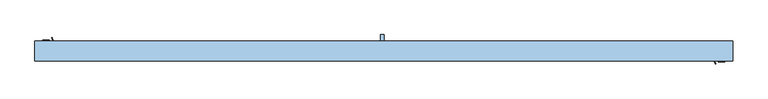
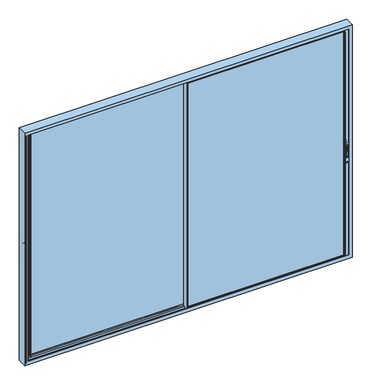
"""IFC4 building model written with IfcOpenShell, lengths in millimetres: window geometry."""

from ifc_helpers import new_model, si_unit, point, frame, frame_2d, origin, place, context, project, spatial, polyline, circle_curve, trimmed, segment, composite_curve, outline, extrude, faceted_brep, source, transform, mapped, element, save
from ifc_brep_helpers import plane_surface, cylinder_surface, revolved_surface, advanced_brep


def window_a7f661a5(model_context):
    return source(origin(), model_context, "Body", "SolidModel", [
        extrude(outline(composite_curve([segment(polyline([(-39.3, 2125.2189223), (-39.3, 2189.6559659)]), True, "CONTINUOUS"), segment(trimmed(circle_curve(frame_2d((-28.7370436, 2189.6559659)), 10.5629564), [point((-39.3, 2189.6559659))], [point((-28.7370436, 2200.2189223))], False, "CARTESIAN"), True, "CONTINUOUS"), segment(polyline([(-28.7370436, 2200.2189223), (-33.5185218, 2125.2189223), (-39.3, 2125.2189223)]), True, "CONTINUOUS")], self_intersect=False)), frame((-1943.3474775, 0.0, 0.0), z_axis=(1.0, 0.0, 0.0), x_axis=(0.0, 1.0, 0.0)), (0.0, 0.0, 1.0), 14.8235768),
        advanced_brep(
        [(-1917.9398656, -39.3, 2057.5), (-1917.9398656, -27.3, 2040.0), (-1917.9398656, -27.3, 2300.0), (-1917.9398656, -39.3, 2282.5), (-1953.8935563, -39.3, 2057.5), (-1953.8935563, -39.3, 2282.5), (-1953.8935563, -27.3, 2300.0), (-1953.8935563, -27.3, 2040.0), (-1944.7309411, -39.3, 2266.667345), (-1927.1404371, -39.3, 2266.667345), (-1927.1404371, -39.3, 2110.7687336), (-1944.7309411, -39.3, 2110.7687336), (-1927.1404371, -28.7370436, 2266.667345), (-1944.7309411, -28.7370436, 2266.667345), (-1944.7309411, -28.7370436, 2110.7687336), (-1927.1404371, -28.7370436, 2110.7687336)],
        [
            (0, 1, circle_curve(frame((-1917.9398656, -20.5395833, 2057.5), z_axis=(1.0, 0.0, 0.0), x_axis=(0.0, 0.0, -1.0)), 18.7604167)),
            (1, 2),
            (2, 3, circle_curve(frame((-1917.9398656, -20.5395833, 2282.5), z_axis=(1.0, 0.0, 0.0), x_axis=(0.0, 0.0, -1.0)), 18.7604167)),
            (3, 0),
            (4, 5),
            (5, 6, circle_curve(frame((-1953.8935563, -20.5395833, 2282.5), z_axis=(-1.0, 0.0, 0.0), x_axis=(0.0, 0.0, -1.0)), 18.7604167)),
            (6, 7),
            (7, 4, circle_curve(frame((-1953.8935563, -20.5395833, 2057.5), z_axis=(-1.0, 0.0, 0.0), x_axis=(0.0, 0.0, -1.0)), 18.7604167)),
            (1, 7),
            (6, 2),
            (3, 5),
            (4, 0),
            (8, 9),
            (9, 10),
            (10, 11),
            (11, 8),
            (12, 13),
            (13, 14),
            (14, 15),
            (15, 12),
            (12, 9),
            (8, 13),
            (11, 14),
            (10, 15),
        ],
        [
            plane_surface(frame((-1917.9398656, -20.5395833, 2038.7395833), z_axis=(1.0, 0.0, 0.0), x_axis=(0.0, 1.0, 0.0))),
            plane_surface(frame((-1953.8935563, -20.5395833, 2038.7395833), z_axis=(-1.0, 0.0, 0.0), x_axis=(0.0, -1.0, 0.0))),
            plane_surface(frame((-1917.9398656, -27.3, 2040.0), z_axis=(0.0, 1.0, 0.0), x_axis=(-1.0, 0.0, 0.0))),
            plane_surface(frame((-1917.9398656, -39.3, 2282.5), z_axis=(0.0, -1.0, 0.0), x_axis=(-1.0, 0.0, 0.0))),
            plane_surface(frame((-1944.7309411, -28.7370436, 2266.667345), z_axis=(0.0, -1.0, 0.0), x_axis=(1.0, 0.0, 0.0))),
            plane_surface(frame((-1927.1404371, -39.3, 2266.667345), z_axis=(0.0, 0.0, -1.0), x_axis=(0.0, 1.0, 0.0))),
            plane_surface(frame((-1944.7309411, -39.3, 2266.667345), z_axis=(1.0, 0.0, 0.0), x_axis=(0.0, 1.0, 0.0))),
            plane_surface(frame((-1944.7309411, -39.3, 2110.7687336), z_axis=(0.0, 0.0, 1.0), x_axis=(0.0, 1.0, 0.0))),
            plane_surface(frame((-1927.1404371, -39.3, 2110.7687336), z_axis=(-1.0, 0.0, 0.0), x_axis=(0.0, 1.0, 0.0))),
            cylinder_surface(frame((-1953.8935563, -20.5395833, 2057.5), z_axis=(1.0, 0.0, 0.0), x_axis=(0.0, 0.0, -1.0)), 18.7604167),
            cylinder_surface(frame((-1953.8935563, -20.5395833, 2282.5), z_axis=(1.0, 0.0, 0.0), x_axis=(0.0, 0.0, -1.0)), 18.7604167),
        ],
        [
            (0, [[1, 2, 3, 4]]),
            (1, [[5, 6, 7, 8]]),
            (2, [[-2, 9, -7, 10]]),
            (3, [[-4, 11, -5, 12], [13, 14, 15, 16]]),
            (4, [[17, 18, 19, 20]]),
            (5, [[-17, 21, -13, 22]]),
            (6, [[-18, -22, -16, 23]]),
            (7, [[-19, -23, -15, 24]]),
            (8, [[-20, -24, -14, -21]]),
            (9, [[-1, -12, -8, -9]]),
            (10, [[-3, -10, -6, -11]]),
        ],
    ),
        extrude(outline(composite_curve([segment(polyline([(-105.3, 2125.2189223), (-105.3, 2189.6559659)]), True, "CONTINUOUS"), segment(trimmed(circle_curve(frame_2d((-94.7370436, 2189.6559659)), 10.5629564), [point((-105.3, 2189.6559659))], [point((-94.7370436, 2200.2189223))], False, "CARTESIAN"), True, "CONTINUOUS"), segment(polyline([(-94.7370436, 2200.2189223), (-99.5185218, 2125.2189223), (-105.3, 2125.2189223)]), True, "CONTINUOUS")], self_intersect=False)), frame((1928.4921223, 0.0, 0.0), z_axis=(1.0, 0.0, 0.0), x_axis=(0.0, 1.0, 0.0)), (0.0, 0.0, 1.0), 14.8235768),
        advanced_brep(
        [(1953.8997342, -105.3, 2057.5), (1953.8997342, -93.3, 2040.0), (1953.8997342, -93.3, 2300.0), (1953.8997342, -105.3, 2282.5), (1917.9460435, -105.3, 2057.5), (1917.9460435, -105.3, 2282.5), (1917.9460435, -93.3, 2300.0), (1917.9460435, -93.3, 2040.0), (1927.1086587, -105.3, 2266.667345), (1944.6991627, -105.3, 2266.667345), (1944.6991627, -105.3, 2110.7687336), (1927.1086587, -105.3, 2110.7687336), (1944.6991627, -94.7370436, 2266.667345), (1927.1086587, -94.7370436, 2266.667345), (1927.1086587, -94.7370436, 2110.7687336), (1944.6991627, -94.7370436, 2110.7687336)],
        [
            (0, 1, circle_curve(frame((1953.8997342, -86.5395833, 2057.5), z_axis=(1.0, 0.0, 0.0), x_axis=(0.0, 0.0, -1.0)), 18.7604167)),
            (1, 2),
            (2, 3, circle_curve(frame((1953.8997342, -86.5395833, 2282.5), z_axis=(1.0, 0.0, 0.0), x_axis=(0.0, 0.0, -1.0)), 18.7604167)),
            (3, 0),
            (4, 5),
            (5, 6, circle_curve(frame((1917.9460435, -86.5395833, 2282.5), z_axis=(-1.0, 0.0, 0.0), x_axis=(0.0, 0.0, -1.0)), 18.7604167)),
            (6, 7),
            (7, 4, circle_curve(frame((1917.9460435, -86.5395833, 2057.5), z_axis=(-1.0, 0.0, 0.0), x_axis=(0.0, 0.0, -1.0)), 18.7604167)),
            (1, 7),
            (6, 2),
            (3, 5),
            (4, 0),
            (8, 9),
            (9, 10),
            (10, 11),
            (11, 8),
            (12, 13),
            (13, 14),
            (14, 15),
            (15, 12),
            (12, 9),
            (8, 13),
            (11, 14),
            (10, 15),
        ],
        [
            plane_surface(frame((1953.8997342, -86.5395833, 2038.7395833), z_axis=(1.0, 0.0, 0.0), x_axis=(0.0, 1.0, 0.0))),
            plane_surface(frame((1917.9460435, -86.5395833, 2038.7395833), z_axis=(-1.0, 0.0, 0.0), x_axis=(0.0, -1.0, 0.0))),
            plane_surface(frame((1953.8997342, -93.3, 2040.0), z_axis=(0.0, 1.0, 0.0), x_axis=(-1.0, 0.0, 0.0))),
            plane_surface(frame((1953.8997342, -105.3, 2282.5), z_axis=(0.0, -1.0, 0.0), x_axis=(-1.0, 0.0, 0.0))),
            plane_surface(frame((1927.1086587, -94.7370436, 2266.667345), z_axis=(0.0, -1.0, 0.0), x_axis=(1.0, 0.0, 0.0))),
            plane_surface(frame((1944.6991627, -105.3, 2266.667345), z_axis=(0.0, 0.0, -1.0), x_axis=(0.0, 1.0, 0.0))),
            plane_surface(frame((1927.1086587, -105.3, 2266.667345), z_axis=(1.0, 0.0, 0.0), x_axis=(0.0, 1.0, 0.0))),
            plane_surface(frame((1927.1086587, -105.3, 2110.7687336), z_axis=(0.0, 0.0, 1.0), x_axis=(0.0, 1.0, 0.0))),
            plane_surface(frame((1944.6991627, -105.3, 2110.7687336), z_axis=(-1.0, 0.0, 0.0), x_axis=(0.0, 1.0, 0.0))),
            cylinder_surface(frame((1917.9460435, -86.5395833, 2057.5), z_axis=(1.0, 0.0, 0.0), x_axis=(0.0, 0.0, -1.0)), 18.7604167),
            cylinder_surface(frame((1917.9460435, -86.5395833, 2282.5), z_axis=(1.0, 0.0, 0.0), x_axis=(0.0, 0.0, -1.0)), 18.7604167),
        ],
        [
            (0, [[1, 2, 3, 4]]),
            (1, [[5, 6, 7, 8]]),
            (2, [[-2, 9, -7, 10]]),
            (3, [[-4, 11, -5, 12], [13, 14, 15, 16]]),
            (4, [[17, 18, 19, 20]]),
            (5, [[-17, 21, -13, 22]]),
            (6, [[-18, -22, -16, 23]]),
            (7, [[-19, -23, -15, 24]]),
            (8, [[-20, -24, -14, -21]]),
            (9, [[-1, -12, -8, -9]]),
            (10, [[-3, -10, -6, -11]]),
        ],
    ),
        extrude(outline(composite_curve([segment(polyline([(-44.9, 2125.2189223), (-50.6814782, 2125.2189223), (-55.4629564, 2200.2189223)]), True, "CONTINUOUS"), segment(trimmed(circle_curve(frame_2d((-55.4629564, 2189.6559659)), 10.5629564), [point((-55.4629564, 2200.2189223))], [point((-44.9, 2189.6559659))], False, "CARTESIAN"), True, "CONTINUOUS"), segment(polyline([(-44.9, 2189.6559659), (-44.9, 2125.2189223)]), True, "CONTINUOUS")], self_intersect=False)), frame((1928.5239007, 0.0, 0.0), z_axis=(1.0, 0.0, 0.0), x_axis=(0.0, 1.0, 0.0)), (0.0, 0.0, 1.0), 14.8235768),
        advanced_brep(
        [(1917.9398656, -44.9, 2057.5), (1917.9398656, -56.9, 2040.0), (1917.9398656, -56.9, 2300.0), (1917.9398656, -44.9, 2282.5), (1953.8935563, -44.9, 2057.5), (1953.8935563, -44.9, 2282.5), (1953.8935563, -56.9, 2300.0), (1953.8935563, -56.9, 2040.0), (1944.7309411, -44.9, 2266.667345), (1927.1404371, -44.9, 2266.667345), (1927.1404371, -44.9, 2110.7687336), (1944.7309411, -44.9, 2110.7687336), (1927.1404371, -55.4629564, 2266.667345), (1944.7309411, -55.4629564, 2266.667345), (1944.7309411, -55.4629564, 2110.7687336), (1927.1404371, -55.4629564, 2110.7687336)],
        [
            (0, 1, circle_curve(frame((1917.9398656, -63.6604167, 2057.5), z_axis=(-1.0, 0.0, 0.0), x_axis=(0.0, 0.0, -1.0)), 18.7604167)),
            (1, 2),
            (2, 3, circle_curve(frame((1917.9398656, -63.6604167, 2282.5), z_axis=(-1.0, 0.0, 0.0), x_axis=(0.0, 0.0, -1.0)), 18.7604167)),
            (3, 0),
            (4, 5),
            (5, 6, circle_curve(frame((1953.8935563, -63.6604167, 2282.5), z_axis=(1.0, 0.0, 0.0), x_axis=(0.0, 0.0, -1.0)), 18.7604167)),
            (6, 7),
            (7, 4, circle_curve(frame((1953.8935563, -63.6604167, 2057.5), z_axis=(1.0, 0.0, 0.0), x_axis=(0.0, 0.0, -1.0)), 18.7604167)),
            (1, 7),
            (6, 2),
            (3, 5),
            (4, 0),
            (8, 9),
            (9, 10),
            (10, 11),
            (11, 8),
            (12, 13),
            (13, 14),
            (14, 15),
            (15, 12),
            (12, 9),
            (8, 13),
            (11, 14),
            (10, 15),
        ],
        [
            plane_surface(frame((1917.9398656, -63.6604167, 2038.7395833), z_axis=(-1.0, 0.0, 0.0), x_axis=(0.0, -1.0, 0.0))),
            plane_surface(frame((1953.8935563, -63.6604167, 2038.7395833), z_axis=(1.0, 0.0, 0.0), x_axis=(0.0, 1.0, 0.0))),
            plane_surface(frame((1917.9398656, -56.9, 2040.0), z_axis=(0.0, -1.0, 0.0), x_axis=(1.0, 0.0, 0.0))),
            plane_surface(frame((1917.9398656, -44.9, 2282.5), z_axis=(0.0, 1.0, 0.0), x_axis=(1.0, 0.0, 0.0))),
            plane_surface(frame((1944.7309411, -55.4629564, 2266.667345), z_axis=(0.0, 1.0, 0.0), x_axis=(-1.0, 0.0, 0.0))),
            plane_surface(frame((1927.1404371, -44.9, 2266.667345), z_axis=(0.0, 0.0, -1.0), x_axis=(0.0, -1.0, 0.0))),
            plane_surface(frame((1944.7309411, -44.9, 2266.667345), z_axis=(-1.0, 0.0, 0.0), x_axis=(0.0, -1.0, 0.0))),
            plane_surface(frame((1944.7309411, -44.9, 2110.7687336), z_axis=(0.0, 0.0, 1.0), x_axis=(0.0, -1.0, 0.0))),
            plane_surface(frame((1927.1404371, -44.9, 2110.7687336), z_axis=(1.0, 0.0, 0.0), x_axis=(0.0, -1.0, 0.0))),
            cylinder_surface(frame((1953.8935563, -63.6604167, 2057.5), z_axis=(-1.0, 0.0, 0.0), x_axis=(0.0, 0.0, -1.0)), 18.7604167),
            cylinder_surface(frame((1953.8935563, -63.6604167, 2282.5), z_axis=(-1.0, 0.0, 0.0), x_axis=(0.0, 0.0, -1.0)), 18.7604167),
        ],
        [
            (0, [[1, 2, 3, 4]]),
            (1, [[5, 6, 7, 8]]),
            (2, [[-2, 9, -7, 10]]),
            (3, [[-4, 11, -5, 12], [13, 14, 15, 16]]),
            (4, [[17, 18, 19, 20]]),
            (5, [[-17, 21, -13, 22]]),
            (6, [[-18, -22, -16, 23]]),
            (7, [[-19, -23, -15, 24]]),
            (8, [[-20, -24, -14, -21]]),
            (9, [[-1, -12, -8, -9]]),
            (10, [[-3, -10, -6, -11]]),
        ],
    ),
        extrude(outline(composite_curve([segment(polyline([(21.1, 2125.2189223), (15.3185218, 2125.2189223), (10.5370436, 2200.2189223)]), True, "CONTINUOUS"), segment(trimmed(circle_curve(frame_2d((10.5370436, 2189.6559659)), 10.5629564), [point((10.5370436, 2200.2189223))], [point((21.1, 2189.6559659))], False, "CARTESIAN"), True, "CONTINUOUS"), segment(polyline([(21.1, 2189.6559659), (21.1, 2125.2189223)]), True, "CONTINUOUS")], self_intersect=False)), frame((-1943.257034, 0.0, 0.0), z_axis=(1.0, 0.0, 0.0), x_axis=(0.0, 1.0, 0.0)), (0.0, 0.0, 1.0), 14.8235768),
        advanced_brep(
        [(-1953.8410691, 21.1, 2057.5), (-1953.8410691, 9.1, 2040.0), (-1953.8410691, 9.1, 2300.0), (-1953.8410691, 21.1, 2282.5), (-1917.8873784, 21.1, 2057.5), (-1917.8873784, 21.1, 2282.5), (-1917.8873784, 9.1, 2300.0), (-1917.8873784, 9.1, 2040.0), (-1927.0499936, 21.1, 2266.667345), (-1944.6404976, 21.1, 2266.667345), (-1944.6404976, 21.1, 2110.7687336), (-1927.0499936, 21.1, 2110.7687336), (-1944.6404976, 10.5370436, 2266.667345), (-1927.0499936, 10.5370436, 2266.667345), (-1927.0499936, 10.5370436, 2110.7687336), (-1944.6404976, 10.5370436, 2110.7687336)],
        [
            (0, 1, circle_curve(frame((-1953.8410691, 2.3395833, 2057.5), z_axis=(-1.0, 0.0, 0.0), x_axis=(0.0, 0.0, -1.0)), 18.7604167)),
            (1, 2),
            (2, 3, circle_curve(frame((-1953.8410691, 2.3395833, 2282.5), z_axis=(-1.0, 0.0, 0.0), x_axis=(0.0, 0.0, -1.0)), 18.7604167)),
            (3, 0),
            (4, 5),
            (5, 6, circle_curve(frame((-1917.8873784, 2.3395833, 2282.5), z_axis=(1.0, 0.0, 0.0), x_axis=(0.0, 0.0, -1.0)), 18.7604167)),
            (6, 7),
            (7, 4, circle_curve(frame((-1917.8873784, 2.3395833, 2057.5), z_axis=(1.0, 0.0, 0.0), x_axis=(0.0, 0.0, -1.0)), 18.7604167)),
            (1, 7),
            (6, 2),
            (3, 5),
            (4, 0),
            (8, 9),
            (9, 10),
            (10, 11),
            (11, 8),
            (12, 13),
            (13, 14),
            (14, 15),
            (15, 12),
            (12, 9),
            (8, 13),
            (11, 14),
            (10, 15),
        ],
        [
            plane_surface(frame((-1953.8410691, 2.3395833, 2038.7395833), z_axis=(-1.0, 0.0, 0.0), x_axis=(0.0, -1.0, 0.0))),
            plane_surface(frame((-1917.8873784, 2.3395833, 2038.7395833), z_axis=(1.0, 0.0, 0.0), x_axis=(0.0, 1.0, 0.0))),
            plane_surface(frame((-1953.8410691, 9.1, 2040.0), z_axis=(0.0, -1.0, 0.0), x_axis=(1.0, 0.0, 0.0))),
            plane_surface(frame((-1953.8410691, 21.1, 2282.5), z_axis=(0.0, 1.0, 0.0), x_axis=(1.0, 0.0, 0.0))),
            plane_surface(frame((-1927.0499936, 10.5370436, 2266.667345), z_axis=(0.0, 1.0, 0.0), x_axis=(-1.0, 0.0, 0.0))),
            plane_surface(frame((-1944.6404976, 21.1, 2266.667345), z_axis=(0.0, 0.0, -1.0), x_axis=(0.0, -1.0, 0.0))),
            plane_surface(frame((-1927.0499936, 21.1, 2266.667345), z_axis=(-1.0, 0.0, 0.0), x_axis=(0.0, -1.0, 0.0))),
            plane_surface(frame((-1927.0499936, 21.1, 2110.7687336), z_axis=(0.0, 0.0, 1.0), x_axis=(0.0, -1.0, 0.0))),
            plane_surface(frame((-1944.6404976, 21.1, 2110.7687336), z_axis=(1.0, 0.0, 0.0), x_axis=(0.0, -1.0, 0.0))),
            cylinder_surface(frame((-1917.8873784, 2.3395833, 2057.5), z_axis=(-1.0, 0.0, 0.0), x_axis=(0.0, 0.0, -1.0)), 18.7604167),
            cylinder_surface(frame((-1917.8873784, 2.3395833, 2282.5), z_axis=(-1.0, 0.0, 0.0), x_axis=(0.0, 0.0, -1.0)), 18.7604167),
        ],
        [
            (0, [[1, 2, 3, 4]]),
            (1, [[5, 6, 7, 8]]),
            (2, [[-2, 9, -7, 10]]),
            (3, [[-4, 11, -5, 12], [13, 14, 15, 16]]),
            (4, [[17, 18, 19, 20]]),
            (5, [[-17, 21, -13, 22]]),
            (6, [[-18, -22, -16, 23]]),
            (7, [[-19, -23, -15, 24]]),
            (8, [[-20, -24, -14, -21]]),
            (9, [[-1, -12, -8, -9]]),
            (10, [[-3, -10, -6, -11]]),
        ],
    ),
        extrude(outline(polyline([(1957.6, 9.7), (1957.6, -27.9), (1980.5, -27.9), (1980.5, -30.0), (1956.0, -30.0), (1956.0, 11.8), (1980.5, 11.8), (1980.5, 9.7), (1957.6, 9.7)])), frame((0.0, 0.0, 819.191143), z_axis=(0.0, 0.0, 1.0), x_axis=(1.0, 0.0, 0.0)), (0.0, 0.0, 1.0), 2961.617714),
        extrude(outline(polyline([(-1980.4855296, -54.2), (-1956.0, -54.2), (-1956.0, -96.0), (-1980.5600677, -96.0), (-1980.5600677, -93.9), (-1957.6, -93.9), (-1957.6, -56.3), (-1980.4855296, -56.3), (-1980.4855296, -54.2)])), frame((0.0, 0.0, 819.191143), z_axis=(0.0, 0.0, 1.0), x_axis=(1.0, 0.0, 0.0)), (0.0, 0.0, 1.0), 2936.808857),
        extrude(outline(polyline([(-12.0, -90.1), (-12.0, -60.1), (1908.9270356, -60.1), (1908.9270356, -90.1), (-12.0, -90.1)])), frame((0.0, 0.0, 844.0), z_axis=(0.0, 0.0, 1.0), x_axis=(1.0, 0.0, 0.0)), (0.0, 0.0, 1.0), 2908.9999325),
        extrude(outline(polyline([(-1908.9270356, -24.1), (-1908.9270356, 5.9), (-12.5, 5.9), (-12.5, -24.1), (-1908.9270356, -24.1)])), frame((0.0, 0.0, 847.0000675), z_axis=(0.0, 0.0, 1.0), x_axis=(1.0, 0.0, 0.0)), (0.0, 0.0, 1.0), 2905.9998651),
        advanced_brep(
        [(-20.0, -56.9, 832.5), (-20.0, -93.3, 832.5), (-20.0, -93.3, 3764.8884213), (-20.0, -56.9, 3764.8884213), (-20.0, -56.9, 3756.0), (-20.0, -30.3, 3756.0), (-20.0, -30.3, 847.0000675), (-20.0, -56.9, 847.0000675), (1968.3, -56.9, 832.5), (1968.3, -93.3, 832.5), (1968.3, -93.3, 3764.8884213), (1897.0, -93.3, 859.0), (1897.0, -93.3, 3741.0), (1902.3815605, -93.3, 3741.0), (1902.3815605, -93.3, 859.0), (1895.0, -93.3, 859.0), (0.0, -93.3, 859.0), (0.0, -93.3, 3741.0), (1895.0, -93.3, 3741.0), (-10.7, -30.3, 3756.0), (-10.7, -30.3, 847.0000675), (-10.7, -56.9, 847.0000675), (-10.7, -56.9, 3756.0), (1968.3, -56.9, 3764.8884213), (1902.3815605, -56.9, 859.0), (1902.3815605, -56.9, 3741.0), (1897.0, -56.9, 3741.0), (1897.0, -56.9, 859.0), (1895.0, -56.9, 3741.0), (0.0, -56.9, 3741.0), (0.0, -56.9, 859.0), (1895.0, -56.9, 859.0), (1968.3, -60.1, 859.0), (1968.3, -60.1, 847.0000675), (1968.3, -90.1, 847.0000675), (1968.3, -90.1, 859.0), (1968.3, -90.1, 3741.0), (1968.3, -90.1, 3752.9999325), (1968.3, -60.1, 3752.9999325), (1968.3, -60.1, 3741.0), (1908.9270356, -60.1, 859.0), (1908.9270356, -60.1, 3741.0), (-12.0, -60.1, 3752.9999325), (-12.0, -60.1, 847.0000675), (1895.0, -60.1, 859.0), (0.0, -60.1, 859.0), (0.0, -60.1, 3741.0), (1895.0, -60.1, 3741.0), (-12.0, -90.1, 847.0000675), (-12.0, -90.1, 3752.9999325), (1908.9270356, -90.1, 3741.0), (1908.9270356, -90.1, 859.0), (1895.0, -90.1, 3741.0), (0.0, -90.1, 3741.0), (0.0, -90.1, 859.0), (1895.0, -90.1, 859.0), (1899.4977754, -95.4730879, 859.0), (1898.126431, -100.2555341, 859.0), (1898.239631, -102.2330365, 859.0), (1903.9747822, -117.6432139, 859.0), (1903.5, -118.3, 859.0), (1900.7399611, -118.3, 859.0), (1899.7836563, -117.5923717, 859.0), (1895.1162149, -102.3258588, 859.0), (1895.1162149, -99.8695393, 859.0), (1895.1162149, -50.3304607, 859.0), (1895.1162149, -47.8741412, 859.0), (1899.7836563, -32.6076283, 859.0), (1900.7399611, -31.9, 859.0), (1903.5, -31.9, 859.0), (1903.9747822, -32.5567861, 859.0), (1898.239631, -47.9669635, 859.0), (1898.126431, -49.9444659, 859.0), (1899.4977754, -54.7269121, 859.0), (1895.1162149, -99.8695393, 3741.0), (1899.4977754, -95.4730879, 3741.0), (1899.4977754, -54.7269121, 3741.0), (1895.1162149, -50.3304607, 3741.0), (1898.126431, -100.2555341, 3741.0), (1898.239631, -102.2330365, 3741.0), (1903.9747822, -117.6432139, 3741.0), (1903.5, -118.3, 3741.0), (1900.7399611, -118.3, 3741.0), (1899.7836563, -117.5923717, 3741.0), (1895.1162149, -102.3258588, 3741.0), (1895.1162149, -47.8741412, 3741.0), (1899.7836563, -32.6076283, 3741.0), (1900.7399611, -31.9, 3741.0), (1903.5, -31.9, 3741.0), (1903.9747822, -32.5567861, 3741.0), (1898.239631, -47.9669635, 3741.0), (1898.126431, -49.9444659, 3741.0)],
        [
            (0, 1),
            (1, 2),
            (2, 3),
            (3, 4),
            (4, 5),
            (5, 6),
            (6, 7),
            (7, 0),
            (0, 8),
            (8, 9),
            (9, 1),
            (9, 10),
            (10, 2),
            (11, 12),
            (12, 13),
            (13, 14),
            (14, 11),
            (15, 16),
            (16, 17),
            (17, 18),
            (18, 15),
            (5, 19),
            (19, 20),
            (20, 6),
            (20, 21),
            (21, 7),
            (21, 22),
            (22, 4),
            (3, 23),
            (23, 8),
            (24, 25),
            (25, 26),
            (26, 27),
            (27, 24),
            (28, 29),
            (29, 30),
            (30, 31),
            (31, 28),
            (23, 10),
            (32, 33),
            (33, 34),
            (34, 35),
            (35, 32),
            (36, 37),
            (37, 38),
            (38, 39),
            (39, 36),
            (32, 40),
            (40, 41),
            (41, 39),
            (38, 42),
            (42, 43),
            (43, 33),
            (44, 45),
            (45, 46),
            (46, 47),
            (47, 44),
            (48, 34),
            (43, 48),
            (48, 49),
            (49, 37),
            (36, 50),
            (50, 51),
            (51, 35),
            (52, 53),
            (53, 54),
            (54, 55),
            (55, 52),
            (14, 56, circle_curve(frame((1902.3815605, -96.3, 859.0), z_axis=(0.0, 0.0, 1.0), x_axis=(1.0, 0.0, 0.0)), 3.0)),
            (56, 57),
            (57, 58, circle_curve(frame((1901.0102161, -101.0824462, 859.0), z_axis=(0.0, 0.0, 1.0), x_axis=(1.0, 0.0, 0.0)), 3.0)),
            (58, 59, circle_curve(frame((1694.8068415, -186.7162025, 859.0), z_axis=(0.0, 0.0, -1.0), x_axis=(1.0, 0.0, 0.0)), 220.2777909)),
            (59, 60, circle_curve(frame((1903.5, -117.8, 859.0), z_axis=(0.0, 0.0, -1.0), x_axis=(1.0, 0.0, 0.0)), 0.5)),
            (60, 61),
            (61, 62, circle_curve(frame((1900.7399611, -117.3, 859.0), z_axis=(0.0, 0.0, -1.0), x_axis=(1.0, 0.0, 0.0)), 1.0)),
            (62, 63),
            (63, 64, circle_curve(frame((1899.3993168, -101.097699, 859.0), z_axis=(0.0, 0.0, -1.0), x_axis=(1.0, 0.0, 0.0)), 4.4557085)),
            (64, 11),
            (51, 40),
            (27, 65),
            (65, 66, circle_curve(frame((1899.3993168, -49.102301, 859.0), z_axis=(0.0, 0.0, -1.0), x_axis=(1.0, 0.0, 0.0)), 4.4557085)),
            (66, 67),
            (67, 68, circle_curve(frame((1900.7399611, -32.9, 859.0), z_axis=(0.0, 0.0, -1.0), x_axis=(1.0, 0.0, 0.0)), 1.0)),
            (68, 69),
            (69, 70, circle_curve(frame((1903.5, -32.4, 859.0), z_axis=(0.0, 0.0, -1.0), x_axis=(1.0, 0.0, 0.0)), 0.5)),
            (70, 71, circle_curve(frame((1694.8068415, 36.5162025, 859.0), z_axis=(0.0, 0.0, -1.0), x_axis=(1.0, 0.0, 0.0)), 220.2777909)),
            (71, 72, circle_curve(frame((1901.0102161, -49.1175538, 859.0), z_axis=(0.0, 0.0, 1.0), x_axis=(1.0, 0.0, 0.0)), 3.0)),
            (72, 73),
            (73, 24, circle_curve(frame((1902.3815605, -53.9, 859.0), z_axis=(0.0, 0.0, 1.0), x_axis=(1.0, 0.0, 0.0)), 3.0)),
            (74, 12),
            (64, 74),
            (13, 75, circle_curve(frame((1902.3815605, -96.3, 3741.0), z_axis=(0.0, 0.0, 1.0), x_axis=(1.0, 0.0, 0.0)), 3.0)),
            (75, 56),
            (15, 55),
            (54, 16),
            (53, 17),
            (18, 52),
            (42, 49),
            (50, 41),
            (44, 31),
            (30, 45),
            (29, 46),
            (47, 28),
            (19, 22),
            (76, 25, circle_curve(frame((1902.3815605, -53.9, 3741.0), z_axis=(0.0, 0.0, 1.0), x_axis=(1.0, 0.0, 0.0)), 3.0)),
            (73, 76),
            (26, 77),
            (77, 65),
            (75, 78),
            (78, 57),
            (78, 79, circle_curve(frame((1901.0102161, -101.0824462, 3741.0), z_axis=(0.0, 0.0, 1.0), x_axis=(1.0, 0.0, 0.0)), 3.0)),
            (79, 58),
            (79, 80, circle_curve(frame((1694.8068415, -186.7162025, 3741.0), z_axis=(0.0, 0.0, -1.0), x_axis=(1.0, 0.0, 0.0)), 220.2777909)),
            (80, 59),
            (80, 81, circle_curve(frame((1903.5, -117.8, 3741.0), z_axis=(0.0, 0.0, -1.0), x_axis=(1.0, 0.0, 0.0)), 0.5)),
            (81, 60),
            (81, 82),
            (82, 61),
            (82, 83, circle_curve(frame((1900.7399611, -117.3, 3741.0), z_axis=(0.0, 0.0, -1.0), x_axis=(1.0, 0.0, 0.0)), 1.0)),
            (83, 62),
            (83, 84),
            (84, 63),
            (84, 74, circle_curve(frame((1899.3993168, -101.097699, 3741.0), z_axis=(0.0, 0.0, -1.0), x_axis=(1.0, 0.0, 0.0)), 4.4557085)),
            (77, 85, circle_curve(frame((1899.3993168, -49.102301, 3741.0), z_axis=(0.0, 0.0, -1.0), x_axis=(1.0, 0.0, 0.0)), 4.4557085)),
            (85, 66),
            (85, 86),
            (86, 67),
            (86, 87, circle_curve(frame((1900.7399611, -32.9, 3741.0), z_axis=(0.0, 0.0, -1.0), x_axis=(1.0, 0.0, 0.0)), 1.0)),
            (87, 68),
            (87, 88),
            (88, 69),
            (88, 89, circle_curve(frame((1903.5, -32.4, 3741.0), z_axis=(0.0, 0.0, -1.0), x_axis=(1.0, 0.0, 0.0)), 0.5)),
            (89, 70),
            (89, 90, circle_curve(frame((1694.8068415, 36.5162025, 3741.0), z_axis=(0.0, 0.0, -1.0), x_axis=(1.0, 0.0, 0.0)), 220.2777909)),
            (90, 71),
            (90, 91, circle_curve(frame((1901.0102161, -49.1175538, 3741.0), z_axis=(0.0, 0.0, 1.0), x_axis=(1.0, 0.0, 0.0)), 3.0)),
            (91, 72),
            (91, 76),
        ],
        [
            plane_surface(frame((-20.0, -93.3, 859.0), z_axis=(-1.0, 0.0, 0.0), x_axis=(0.0, 0.0, 1.0))),
            plane_surface(frame((-20.0, -56.9, 832.5), z_axis=(0.0, 0.0, -1.0), x_axis=(1.0, 0.0, 0.0))),
            plane_surface(frame((-20.0, -93.3, 832.5), z_axis=(0.0, -1.0, 0.0), x_axis=(1.0, 0.0, 0.0))),
            plane_surface(frame((-10.7, -30.3, 3756.0), z_axis=(0.0, 1.0, 0.0), x_axis=(0.0, 0.0, -1.0))),
            plane_surface(frame((0.0, -93.3, 847.0000675), z_axis=(0.0, 0.0, -1.0), x_axis=(0.0, -1.0, 0.0))),
            plane_surface(frame((-20.0, -56.9, 859.0), z_axis=(0.0, 1.0, 0.0), x_axis=(1.0, 0.0, 0.0))),
            plane_surface(frame((1968.3, -93.3, 859.0), z_axis=(1.0, 0.0, 0.0), x_axis=(0.0, 0.0, -1.0))),
            plane_surface(frame((-20.0, -60.1, 847.0000675), z_axis=(0.0, -1.0, 0.0), x_axis=(1.0, 0.0, 0.0))),
            plane_surface(frame((-20.0, -90.1, 847.0000675), z_axis=(0.0, 0.0, 1.0), x_axis=(1.0, 0.0, 0.0))),
            plane_surface(frame((-20.0, -90.1, 859.0), z_axis=(0.0, 1.0, 0.0), x_axis=(1.0, 0.0, 0.0))),
            plane_surface(frame((1902.3815605, -56.9, 859.0), z_axis=(0.0, 0.0, -1.0), x_axis=(1.0, 0.0, 0.0))),
            plane_surface(frame((1897.0, -93.3, 3741.0), z_axis=(-0.9612616959385039, 0.2756373558163541, 0.0), x_axis=(0.0, 0.0, -1.0))),
            revolved_surface(polyline([(1905.3815605, -96.3, 859.0), (1905.3815605, -96.3, 3741.0)]), (1902.3815605, -96.3, 859.0), (0.0, 0.0, -1.0)),
            plane_surface(frame((-20.0, -93.3, 859.0), z_axis=(0.0, 0.0, 1.0), x_axis=(1.0, 0.0, 0.0))),
            plane_surface(frame((0.0, -93.3, 3756.0), z_axis=(1.0, 0.0, 0.0), x_axis=(0.0, 0.0, -1.0))),
            plane_surface(frame((1895.0, -90.1, 3741.0), z_axis=(-1.0, 0.0, 0.0), x_axis=(0.0, 0.0, -1.0))),
            plane_surface(frame((-12.0, -90.1, 3756.0), z_axis=(1.0, 0.0, 0.0), x_axis=(0.0, 0.0, -1.0))),
            plane_surface(frame((1908.9270356, -60.1, 3741.0), z_axis=(-1.0, 0.0, 0.0), x_axis=(0.0, 0.0, -1.0))),
            plane_surface(frame((-20.0, -60.1, 859.0), z_axis=(0.0, 0.0, 1.0), x_axis=(1.0, 0.0, 0.0))),
            plane_surface(frame((0.0, -60.1, 3756.0), z_axis=(1.0, 0.0, 0.0), x_axis=(0.0, 0.0, -1.0))),
            plane_surface(frame((1895.0, -56.9, 3741.0), z_axis=(-1.0, 0.0, 0.0), x_axis=(0.0, 0.0, -1.0))),
            plane_surface(frame((-10.7, -56.9, 3756.0), z_axis=(1.0, 0.0, 0.0), x_axis=(0.0, 0.0, -1.0))),
            revolved_surface(polyline([(1905.3815605, -53.9, 859.0), (1905.3815605, -53.9, 3741.0)]), (1902.3815605, -53.9, 859.0), (0.0, 0.0, -1.0)),
            plane_surface(frame((1895.1162149, -50.3304607, 3741.0), z_axis=(-0.961261695938746, -0.27563735581550963, 0.0), x_axis=(0.0, 0.0, -1.0))),
            plane_surface(frame((1898.126431, -100.2555341, 3741.0), z_axis=(0.9612616959389005, -0.2756373558149707, 0.0), x_axis=(0.0, 0.0, -1.0))),
            revolved_surface(polyline([(1904.0102161, -101.0824462, 859.0), (1904.0102161, -101.0824462, 3741.0)]), (1901.0102161, -101.0824462, 859.0), (0.0, 0.0, -1.0)),
            cylinder_surface(frame((1694.8068415, -186.7162025, 859.0), z_axis=(0.0, 0.0, 1.0), x_axis=(1.0, 0.0, 0.0)), 220.2777909),
            cylinder_surface(frame((1903.5, -117.8, 859.0), z_axis=(0.0, 0.0, 1.0), x_axis=(1.0, 0.0, 0.0)), 0.5),
            plane_surface(frame((1900.7399611, -118.3, 3741.0), z_axis=(0.0, -1.0, 0.0), x_axis=(0.0, 0.0, -1.0))),
            cylinder_surface(frame((1900.7399611, -117.3, 859.0), z_axis=(0.0, 0.0, 1.0), x_axis=(1.0, 0.0, 0.0)), 1.0),
            plane_surface(frame((1895.1162149, -102.3258588, 3741.0), z_axis=(-0.9563047559630969, -0.29237170472253593, 0.0), x_axis=(0.0, 0.0, -1.0))),
            cylinder_surface(frame((1899.3993168, -101.097699, 859.0), z_axis=(0.0, 0.0, 1.0), x_axis=(1.0, 0.0, 0.0)), 4.4557085),
            cylinder_surface(frame((1899.3993168, -49.102301, 859.0), z_axis=(0.0, 0.0, 1.0), x_axis=(1.0, 0.0, 0.0)), 4.4557085),
            plane_surface(frame((1899.7836563, -32.6076283, 3741.0), z_axis=(-0.9563047559630881, 0.2923717047225651, 0.0), x_axis=(0.0, 0.0, -1.0))),
            cylinder_surface(frame((1900.7399611, -32.9, 859.0), z_axis=(0.0, 0.0, 1.0), x_axis=(1.0, 0.0, 0.0)), 1.0),
            plane_surface(frame((1903.5, -31.9, 3741.0), z_axis=(0.0, 1.0, 0.0), x_axis=(0.0, 0.0, -1.0))),
            cylinder_surface(frame((1903.5, -32.4, 859.0), z_axis=(0.0, 0.0, 1.0), x_axis=(1.0, 0.0, 0.0)), 0.5),
            cylinder_surface(frame((1694.8068415, 36.5162025, 859.0), z_axis=(0.0, 0.0, 1.0), x_axis=(1.0, 0.0, 0.0)), 220.2777909),
            revolved_surface(polyline([(1904.0102161, -49.1175538, 859.0), (1904.0102161, -49.1175538, 3741.0)]), (1901.0102161, -49.1175538, 859.0), (0.0, 0.0, -1.0)),
            plane_surface(frame((1899.4977754, -54.7269121, 3741.0), z_axis=(0.9612616959392003, 0.2756373558139257, 0.0), x_axis=(0.0, 0.0, -1.0))),
            plane_surface(frame((-20.0, -93.3, 3764.8884213), z_axis=(0.0, 0.0, 1.0), x_axis=(1.0, 0.0, 0.0))),
            plane_surface(frame((0.0, -93.3, 3756.0), z_axis=(0.0, 0.0, 1.0), x_axis=(0.0, 1.0, 0.0))),
            plane_surface(frame((-20.0, -60.1, 3752.9999325), z_axis=(0.0, 0.0, -1.0), x_axis=(1.0, 0.0, 0.0))),
            plane_surface(frame((1902.3815605, -56.9, 3741.0), z_axis=(0.0, 0.0, 1.0), x_axis=(-1.0, 0.0, 0.0))),
            plane_surface(frame((-20.0, -90.1, 3741.0), z_axis=(0.0, 0.0, -1.0), x_axis=(1.0, 0.0, 0.0))),
            plane_surface(frame((-20.0, -56.9, 3741.0), z_axis=(0.0, 0.0, -1.0), x_axis=(1.0, 0.0, 0.0))),
        ],
        [
            (0, [[1, 2, 3, 4, 5, 6, 7, 8]]),
            (1, [[-1, 9, 10, 11]]),
            (2, [[-2, -11, 12, 13], [14, 15, 16, 17], [18, 19, 20, 21]]),
            (3, [[22, 23, 24, -6]]),
            (4, [[-24, 25, 26, -7]]),
            (5, [[-9, -8, -26, 27, 28, -4, 29, 30], [31, 32, 33, 34], [35, 36, 37, 38]]),
            (6, [[-10, -30, 39, -12], [40, 41, 42, 43], [44, 45, 46, 47]]),
            (7, [[-40, 48, 49, 50, -46, 51, 52, 53], [54, 55, 56, 57]]),
            (8, [[58, -41, -53, 59]]),
            (9, [[-42, -58, 60, 61, -44, 62, 63, 64], [65, 66, 67, 68]]),
            (10, [[69, 70, 71, 72, 73, 74, 75, 76, 77, 78, -17]]),
            (10, [[79, -48, -43, -64]]),
            (10, [[80, 81, 82, 83, 84, 85, 86, 87, 88, 89, -34]]),
            (11, [[90, -14, -78, 91]]),
            (12, [[92, 93, -69, -16]]),
            (13, [[94, -67, 95, -18]]),
            (14, [[-19, -95, -66, 96]]),
            (15, [[-68, -94, -21, 97]]),
            (16, [[-52, 98, -60, -59]]),
            (17, [[99, -49, -79, -63]]),
            (18, [[100, -37, 101, -54]]),
            (19, [[-55, -101, -36, 102]]),
            (20, [[-38, -100, -57, 103]]),
            (21, [[104, -27, -25, -23]]),
            (22, [[105, -31, -89, 106]]),
            (23, [[107, 108, -80, -33]]),
            (24, [[109, 110, -70, -93]]),
            (25, [[111, 112, -71, -110]]),
            (26, [[113, 114, -72, -112]]),
            (27, [[115, 116, -73, -114]]),
            (28, [[117, 118, -74, -116]]),
            (29, [[119, 120, -75, -118]]),
            (30, [[121, 122, -76, -120]]),
            (31, [[123, -91, -77, -122]]),
            (32, [[124, 125, -81, -108]]),
            (33, [[126, 127, -82, -125]]),
            (34, [[128, 129, -83, -127]]),
            (35, [[130, 131, -84, -129]]),
            (36, [[132, 133, -85, -131]]),
            (37, [[134, 135, -86, -133]]),
            (38, [[136, 137, -87, -135]]),
            (39, [[138, -106, -88, -137]]),
            (40, [[-3, -13, -39, -29]]),
            (41, [[-104, -22, -5, -28]]),
            (42, [[-51, -45, -61, -98]]),
            (43, [[-105, -138, -136, -134, -132, -130, -128, -126, -124, -107, -32]]),
            (43, [[-99, -62, -47, -50]]),
            (43, [[-90, -123, -121, -119, -117, -115, -113, -111, -109, -92, -15]]),
            (44, [[-97, -20, -96, -65]]),
            (45, [[-103, -56, -102, -35]]),
        ],
    ),
        advanced_brep(
        [(-1968.3, -27.3, 3764.8884213), (-1968.3, 9.1, 3764.8884213), (-1968.3, 9.1, 832.5), (-1968.3, -27.3, 832.5), (-1968.3, 5.9, 847.0000675), (-1968.3, 5.9, 859.0), (-1968.3, -24.1, 859.0), (-1968.3, -24.1, 847.0000675), (-1968.3, -24.1, 3741.0), (-1968.3, 5.9, 3741.0), (-1968.3, 5.9, 3752.9999325), (-1968.3, -24.1, 3752.9999325), (-12.5, 5.9, 847.0000675), (-12.5, 5.9, 3752.9999325), (-1908.9270356, 5.9, 3741.0), (-1908.9270356, 5.9, 859.0), (-20.0, 5.9, 859.0), (-1895.0, 5.9, 859.0), (-1895.0, 5.9, 3741.0), (-20.0, 5.9, 3741.0), (-1902.3815605, 9.1, 859.0), (-1899.4977754, 11.2730879, 859.0), (-1898.126431, 16.0555341, 859.0), (-1898.239631, 18.0330365, 859.0), (-1903.9747822, 33.4432139, 859.0), (-1903.5, 34.1, 859.0), (-1900.7399611, 34.1, 859.0), (-1899.7836563, 33.3923717, 859.0), (-1895.1162149, 18.1258588, 859.0), (-1895.1162149, 15.6695393, 859.0), (-1897.0, 9.1, 859.0), (-1908.9270356, -24.1, 859.0), (-1897.0, -27.3, 859.0), (-1895.1162149, -33.8695393, 859.0), (-1895.1162149, -36.3258588, 859.0), (-1899.7836563, -51.5923717, 859.0), (-1900.7399611, -52.3, 859.0), (-1903.5, -52.3, 859.0), (-1903.9747822, -51.6432139, 859.0), (-1898.239631, -36.2330365, 859.0), (-1898.126431, -34.2555341, 859.0), (-1899.4977754, -29.4730879, 859.0), (-1902.3815605, -27.3, 859.0), (-1908.9270356, -24.1, 3741.0), (-12.5, -24.1, 3752.9999325), (-12.5, -24.1, 847.0000675), (-20.0, -24.1, 3741.0), (-1895.0, -24.1, 3741.0), (-1895.0, -24.1, 859.0), (-20.0, -24.1, 859.0), (0.0, 9.1, 3764.8884213), (0.0, 9.1, 3756.0), (-20.0, 9.1, 3756.0), (-20.0, 9.1, 3741.0), (-1895.0, 9.1, 3741.0), (-1895.0, 9.1, 859.0), (-20.0, 9.1, 859.0), (-20.0, 9.1, 847.0000675), (0.0, 9.1, 847.0000675), (0.0, 9.1, 832.5), (-1897.0, 9.1, 3741.0), (-1902.3815605, 9.1, 3741.0), (0.0, -27.3, 832.5), (0.0, -27.3, 847.0000675), (-10.0, -27.3, 847.0000675), (-10.0, -27.3, 3756.0), (0.0, -27.3, 3756.0), (0.0, -27.3, 3764.8884213), (-1902.3815605, -27.3, 3741.0), (-1897.0, -27.3, 3741.0), (-20.0, -27.3, 859.0), (-1895.0, -27.3, 859.0), (-1895.0, -27.3, 3741.0), (-20.0, -27.3, 3741.0), (0.0, 51.1, 847.0000675), (0.0, 51.1, 3756.0), (0.0, -53.8934471, 3756.0), (0.0, -53.8934471, 847.0000675), (-10.0, -53.8934471, 847.0000675), (-20.0, 51.1, 847.0000675), (-20.0, 51.1, 3756.0), (-10.0, -53.8934471, 3756.0), (-1899.4977754, -29.4730879, 3741.0), (-1895.1162149, -33.8695393, 3741.0), (-1895.1162149, 15.6695393, 3741.0), (-1899.4977754, 11.2730879, 3741.0), (-1898.126431, 16.0555341, 3741.0), (-1898.239631, 18.0330365, 3741.0), (-1903.9747822, 33.4432139, 3741.0), (-1903.5, 34.1, 3741.0), (-1900.7399611, 34.1, 3741.0), (-1899.7836563, 33.3923717, 3741.0), (-1895.1162149, 18.1258588, 3741.0), (-1895.1162149, -36.3258588, 3741.0), (-1899.7836563, -51.5923717, 3741.0), (-1900.7399611, -52.3, 3741.0), (-1903.5, -52.3, 3741.0), (-1903.9747822, -51.6432139, 3741.0), (-1898.239631, -36.2330365, 3741.0), (-1898.126431, -34.2555341, 3741.0)],
        [
            (0, 1),
            (1, 2),
            (2, 3),
            (3, 0),
            (4, 5),
            (5, 6),
            (6, 7),
            (7, 4),
            (8, 9),
            (9, 10),
            (10, 11),
            (11, 8),
            (4, 12),
            (12, 13),
            (13, 10),
            (9, 14),
            (14, 15),
            (15, 5),
            (16, 17),
            (17, 18),
            (18, 19),
            (19, 16),
            (20, 21, circle_curve(frame((-1902.3815605, 12.1, 859.0), z_axis=(0.0, 0.0, 1.0), x_axis=(1.0, 0.0, 0.0)), 3.0)),
            (21, 22),
            (22, 23, circle_curve(frame((-1901.0102161, 16.8824462, 859.0), z_axis=(0.0, 0.0, 1.0), x_axis=(1.0, 0.0, 0.0)), 3.0)),
            (23, 24, circle_curve(frame((-1694.8068415, 102.5162025, 859.0), z_axis=(0.0, 0.0, -1.0), x_axis=(1.0, 0.0, 0.0)), 220.2777909)),
            (24, 25, circle_curve(frame((-1903.5, 33.6, 859.0), z_axis=(0.0, 0.0, -1.0), x_axis=(1.0, 0.0, 0.0)), 0.5)),
            (25, 26),
            (26, 27, circle_curve(frame((-1900.7399611, 33.1, 859.0), z_axis=(0.0, 0.0, -1.0), x_axis=(1.0, 0.0, 0.0)), 1.0)),
            (27, 28),
            (28, 29, circle_curve(frame((-1899.3993168, 16.897699, 859.0), z_axis=(0.0, 0.0, -1.0), x_axis=(1.0, 0.0, 0.0)), 4.4557085)),
            (29, 30),
            (30, 20),
            (15, 31),
            (31, 6),
            (32, 33),
            (33, 34, circle_curve(frame((-1899.3993168, -35.097699, 859.0), z_axis=(0.0, 0.0, -1.0), x_axis=(1.0, 0.0, 0.0)), 4.4557085)),
            (34, 35),
            (35, 36, circle_curve(frame((-1900.7399611, -51.3, 859.0), z_axis=(0.0, 0.0, -1.0), x_axis=(1.0, 0.0, 0.0)), 1.0)),
            (36, 37),
            (37, 38, circle_curve(frame((-1903.5, -51.8, 859.0), z_axis=(0.0, 0.0, -1.0), x_axis=(1.0, 0.0, 0.0)), 0.5)),
            (38, 39, circle_curve(frame((-1694.8068415, -120.7162025, 859.0), z_axis=(0.0, 0.0, -1.0), x_axis=(1.0, 0.0, 0.0)), 220.2777909)),
            (39, 40, circle_curve(frame((-1901.0102161, -35.0824462, 859.0), z_axis=(0.0, 0.0, 1.0), x_axis=(1.0, 0.0, 0.0)), 3.0)),
            (40, 41),
            (41, 42, circle_curve(frame((-1902.3815605, -30.3, 859.0), z_axis=(0.0, 0.0, 1.0), x_axis=(1.0, 0.0, 0.0)), 3.0)),
            (42, 32),
            (31, 43),
            (43, 8),
            (11, 44),
            (44, 45),
            (45, 7),
            (46, 47),
            (47, 48),
            (48, 49),
            (49, 46),
            (45, 12),
            (1, 50),
            (50, 51),
            (51, 52),
            (52, 53),
            (53, 54),
            (54, 55),
            (55, 56),
            (56, 57),
            (57, 58),
            (58, 59),
            (59, 2),
            (30, 60),
            (60, 61),
            (61, 20),
            (59, 62),
            (62, 3),
            (62, 63),
            (63, 64),
            (64, 65),
            (65, 66),
            (66, 67),
            (67, 0),
            (42, 68),
            (68, 69),
            (69, 32),
            (70, 71),
            (71, 72),
            (72, 73),
            (73, 70),
            (58, 74),
            (74, 75),
            (75, 51),
            (50, 67),
            (66, 76),
            (76, 77),
            (77, 63),
            (77, 78),
            (78, 64),
            (79, 74),
            (57, 79),
            (80, 75),
            (79, 80),
            (76, 81),
            (81, 78),
            (70, 49),
            (48, 71),
            (47, 72),
            (73, 46),
            (82, 68, circle_curve(frame((-1902.3815605, -30.3, 3741.0), z_axis=(0.0, 0.0, 1.0), x_axis=(1.0, 0.0, 0.0)), 3.0)),
            (41, 82),
            (69, 83),
            (83, 33),
            (81, 65),
            (14, 43),
            (44, 13),
            (16, 56),
            (55, 17),
            (54, 18),
            (19, 53),
            (52, 80),
            (84, 60),
            (29, 84),
            (61, 85, circle_curve(frame((-1902.3815605, 12.1, 3741.0), z_axis=(0.0, 0.0, 1.0), x_axis=(1.0, 0.0, 0.0)), 3.0)),
            (85, 21),
            (85, 86),
            (86, 22),
            (86, 87, circle_curve(frame((-1901.0102161, 16.8824462, 3741.0), z_axis=(0.0, 0.0, 1.0), x_axis=(1.0, 0.0, 0.0)), 3.0)),
            (87, 23),
            (87, 88, circle_curve(frame((-1694.8068415, 102.5162025, 3741.0), z_axis=(0.0, 0.0, -1.0), x_axis=(1.0, 0.0, 0.0)), 220.2777909)),
            (88, 24),
            (88, 89, circle_curve(frame((-1903.5, 33.6, 3741.0), z_axis=(0.0, 0.0, -1.0), x_axis=(1.0, 0.0, 0.0)), 0.5)),
            (89, 25),
            (89, 90),
            (90, 26),
            (90, 91, circle_curve(frame((-1900.7399611, 33.1, 3741.0), z_axis=(0.0, 0.0, -1.0), x_axis=(1.0, 0.0, 0.0)), 1.0)),
            (91, 27),
            (91, 92),
            (92, 28),
            (92, 84, circle_curve(frame((-1899.3993168, 16.897699, 3741.0), z_axis=(0.0, 0.0, -1.0), x_axis=(1.0, 0.0, 0.0)), 4.4557085)),
            (83, 93, circle_curve(frame((-1899.3993168, -35.097699, 3741.0), z_axis=(0.0, 0.0, -1.0), x_axis=(1.0, 0.0, 0.0)), 4.4557085)),
            (93, 34),
            (93, 94),
            (94, 35),
            (94, 95, circle_curve(frame((-1900.7399611, -51.3, 3741.0), z_axis=(0.0, 0.0, -1.0), x_axis=(1.0, 0.0, 0.0)), 1.0)),
            (95, 36),
            (95, 96),
            (96, 37),
            (96, 97, circle_curve(frame((-1903.5, -51.8, 3741.0), z_axis=(0.0, 0.0, -1.0), x_axis=(1.0, 0.0, 0.0)), 0.5)),
            (97, 38),
            (97, 98, circle_curve(frame((-1694.8068415, -120.7162025, 3741.0), z_axis=(0.0, 0.0, -1.0), x_axis=(1.0, 0.0, 0.0)), 220.2777909)),
            (98, 39),
            (98, 99, circle_curve(frame((-1901.0102161, -35.0824462, 3741.0), z_axis=(0.0, 0.0, 1.0), x_axis=(1.0, 0.0, 0.0)), 3.0)),
            (99, 40),
            (99, 82),
        ],
        [
            plane_surface(frame((-1968.3, -27.3, 859.0), z_axis=(-1.0, 0.0, 0.0), x_axis=(0.0, 0.0, 1.0))),
            plane_surface(frame((-1968.3, 5.9, 847.0000675), z_axis=(0.0, -1.0, 0.0), x_axis=(1.0, 0.0, 0.0))),
            plane_surface(frame((-1968.3, 9.1, 859.0), z_axis=(0.0, 0.0, -1.0), x_axis=(0.0, 1.0, 0.0))),
            plane_surface(frame((-1968.3, -24.1, 859.0), z_axis=(0.0, 1.0, 0.0), x_axis=(1.0, 0.0, 0.0))),
            plane_surface(frame((-1968.3, -24.1, 847.0000675), z_axis=(0.0, 0.0, 1.0), x_axis=(1.0, 0.0, 0.0))),
            plane_surface(frame((-1968.3, 9.1, 859.0), z_axis=(0.0, 1.0, 0.0), x_axis=(1.0, 0.0, 0.0))),
            plane_surface(frame((-1968.3, 9.1, 832.5), z_axis=(0.0, 0.0, -1.0), x_axis=(1.0, 0.0, 0.0))),
            plane_surface(frame((-1968.3, -27.3, 832.5), z_axis=(0.0, -1.0, 0.0), x_axis=(1.0, 0.0, 0.0))),
            plane_surface(frame((0.0, -27.3, 859.0), z_axis=(1.0, 0.0, 0.0), x_axis=(0.0, 0.0, -1.0))),
            plane_surface(frame((-20.0, 51.1, 847.0000675), z_axis=(0.0, 0.0, -1.0), x_axis=(1.0, 0.0, 0.0))),
            plane_surface(frame((0.0, 51.1, 3756.0), z_axis=(0.0, 1.0, 0.0), x_axis=(0.0, 0.0, -1.0))),
            plane_surface(frame((-10.0, -53.8934471, 3756.0), z_axis=(0.0, -1.0, 0.0), x_axis=(0.0, 0.0, -1.0))),
            plane_surface(frame((-1968.3, -27.3, 859.0), z_axis=(0.0, 0.0, 1.0), x_axis=(1.0, 0.0, 0.0))),
            plane_surface(frame((-1895.0, -27.3, 3741.0), z_axis=(1.0, 0.0, 0.0), x_axis=(0.0, 0.0, -1.0))),
            plane_surface(frame((-20.0, -24.1, 3756.0), z_axis=(-1.0, 0.0, 0.0), x_axis=(0.0, 0.0, -1.0))),
            revolved_surface(polyline([(-1899.3815605, -30.3, 859.0), (-1899.3815605, -30.3, 3741.0)]), (-1902.3815605, -30.3, 859.0), (0.0, 0.0, -1.0)),
            plane_surface(frame((-1895.1162149, -33.8695393, 3741.0), z_axis=(0.9612616959384948, 0.2756373558163859, 0.0), x_axis=(0.0, 0.0, -1.0))),
            plane_surface(frame((-10.0, -27.3, 3756.0), z_axis=(-1.0, 0.0, 0.0), x_axis=(0.0, 0.0, -1.0))),
            plane_surface(frame((-1908.9270356, -24.1, 3741.0), z_axis=(1.0, 0.0, 0.0), x_axis=(0.0, 0.0, -1.0))),
            plane_surface(frame((-12.5, 5.9, 3756.0), z_axis=(-1.0, 0.0, 0.0), x_axis=(0.0, 0.0, -1.0))),
            plane_surface(frame((-1968.3, 5.9, 859.0), z_axis=(0.0, 0.0, 1.0), x_axis=(1.0, 0.0, 0.0))),
            plane_surface(frame((-1895.0, 5.9, 3741.0), z_axis=(1.0, 0.0, 0.0), x_axis=(0.0, 0.0, -1.0))),
            plane_surface(frame((-20.0, 51.1, 3756.0), z_axis=(-1.0, 0.0, 0.0), x_axis=(0.0, 0.0, -1.0))),
            plane_surface(frame((-1897.0, 9.1, 3741.0), z_axis=(0.9612616959384731, -0.2756373558164613, 0.0), x_axis=(0.0, 0.0, -1.0))),
            revolved_surface(polyline([(-1899.3815605, 12.1, 859.0), (-1899.3815605, 12.1, 3741.0)]), (-1902.3815605, 12.1, 859.0), (0.0, 0.0, -1.0)),
            plane_surface(frame((-1898.126431, 16.0555341, 3741.0), z_axis=(-0.9612616959385762, 0.27563735581610205, 0.0), x_axis=(0.0, 0.0, -1.0))),
            revolved_surface(polyline([(-1898.0102161, 16.8824462, 859.0), (-1898.0102161, 16.8824462, 3741.0)]), (-1901.0102161, 16.8824462, 859.0), (0.0, 0.0, -1.0)),
            cylinder_surface(frame((-1694.8068415, 102.5162025, 859.0), z_axis=(0.0, 0.0, 1.0), x_axis=(1.0, 0.0, 0.0)), 220.2777909),
            cylinder_surface(frame((-1903.5, 33.6, 859.0), z_axis=(0.0, 0.0, 1.0), x_axis=(1.0, 0.0, 0.0)), 0.5),
            plane_surface(frame((-1900.7399611, 34.1, 3741.0), z_axis=(0.0, 1.0, 0.0), x_axis=(0.0, 0.0, -1.0))),
            cylinder_surface(frame((-1900.7399611, 33.1, 859.0), z_axis=(0.0, 0.0, 1.0), x_axis=(1.0, 0.0, 0.0)), 1.0),
            plane_surface(frame((-1895.1162149, 18.1258588, 3741.0), z_axis=(0.9563047559630117, 0.2923717047228146, 0.0), x_axis=(0.0, 0.0, -1.0))),
            cylinder_surface(frame((-1899.3993168, 16.897699, 859.0), z_axis=(0.0, 0.0, 1.0), x_axis=(1.0, 0.0, 0.0)), 4.4557085),
            cylinder_surface(frame((-1899.3993168, -35.097699, 859.0), z_axis=(0.0, 0.0, 1.0), x_axis=(1.0, 0.0, 0.0)), 4.4557085),
            plane_surface(frame((-1899.7836563, -51.5923717, 3741.0), z_axis=(0.9563047559631033, -0.2923717047225151, 0.0), x_axis=(0.0, 0.0, -1.0))),
            cylinder_surface(frame((-1900.7399611, -51.3, 859.0), z_axis=(0.0, 0.0, 1.0), x_axis=(1.0, 0.0, 0.0)), 1.0),
            plane_surface(frame((-1903.5, -52.3, 3741.0), z_axis=(0.0, -1.0, 0.0), x_axis=(0.0, 0.0, -1.0))),
            cylinder_surface(frame((-1903.5, -51.8, 859.0), z_axis=(0.0, 0.0, 1.0), x_axis=(1.0, 0.0, 0.0)), 0.5),
            cylinder_surface(frame((-1694.8068415, -120.7162025, 859.0), z_axis=(0.0, 0.0, 1.0), x_axis=(1.0, 0.0, 0.0)), 220.2777909),
            revolved_surface(polyline([(-1898.0102161, -35.0824462, 859.0), (-1898.0102161, -35.0824462, 3741.0)]), (-1901.0102161, -35.0824462, 859.0), (0.0, 0.0, -1.0)),
            plane_surface(frame((-1899.4977754, -29.4730879, 3741.0), z_axis=(-0.9612616959388781, -0.27563735581504895, 0.0), x_axis=(0.0, 0.0, -1.0))),
            plane_surface(frame((-1968.3, -27.3, 3764.8884213), z_axis=(0.0, 0.0, 1.0), x_axis=(1.0, 0.0, 0.0))),
            plane_surface(frame((-1968.3, 9.1, 3741.0), z_axis=(0.0, 0.0, 1.0), x_axis=(0.0, -1.0, 0.0))),
            plane_surface(frame((-1968.3, 5.9, 3752.9999325), z_axis=(0.0, 0.0, -1.0), x_axis=(1.0, 0.0, 0.0))),
            plane_surface(frame((-20.0, 51.1, 3756.0), z_axis=(0.0, 0.0, 1.0), x_axis=(-1.0, 0.0, 0.0))),
            plane_surface(frame((-1968.3, -24.1, 3741.0), z_axis=(0.0, 0.0, -1.0), x_axis=(1.0, 0.0, 0.0))),
            plane_surface(frame((-1968.3, 9.1, 3741.0), z_axis=(0.0, 0.0, -1.0), x_axis=(1.0, 0.0, 0.0))),
        ],
        [
            (0, [[1, 2, 3, 4], [5, 6, 7, 8], [9, 10, 11, 12]]),
            (1, [[-5, 13, 14, 15, -10, 16, 17, 18], [19, 20, 21, 22]]),
            (2, [[23, 24, 25, 26, 27, 28, 29, 30, 31, 32, 33]]),
            (2, [[34, 35, -6, -18]]),
            (2, [[36, 37, 38, 39, 40, 41, 42, 43, 44, 45, 46]]),
            (3, [[-7, -35, 47, 48, -12, 49, 50, 51], [52, 53, 54, 55]]),
            (4, [[-8, -51, 56, -13]]),
            (5, [[-2, 57, 58, 59, 60, 61, 62, 63, 64, 65, 66, 67], [68, 69, 70, -33]]),
            (6, [[-3, -67, 71, 72]]),
            (7, [[-4, -72, 73, 74, 75, 76, 77, 78], [-46, 79, 80, 81], [82, 83, 84, 85]]),
            (8, [[-71, -66, 86, 87, 88, -58, 89, -77, 90, 91, 92, -73]]),
            (9, [[93, 94, -74, -92]]),
            (9, [[95, -86, -65, 96]]),
            (10, [[97, -87, -95, 98]]),
            (11, [[99, 100, -93, -91]]),
            (12, [[101, -54, 102, -82]]),
            (13, [[-83, -102, -53, 103]]),
            (14, [[-85, 104, -55, -101]]),
            (15, [[105, -79, -45, 106]]),
            (16, [[107, 108, -36, -81]]),
            (17, [[109, -75, -94, -100]]),
            (18, [[110, -47, -34, -17]]),
            (19, [[-56, -50, 111, -14]]),
            (20, [[112, -63, 113, -19]]),
            (21, [[-20, -113, -62, 114]]),
            (22, [[-98, -96, -64, -112, -22, 115, -60, 116]]),
            (23, [[117, -68, -32, 118]]),
            (24, [[119, 120, -23, -70]]),
            (25, [[121, 122, -24, -120]]),
            (26, [[123, 124, -25, -122]]),
            (27, [[125, 126, -26, -124]]),
            (28, [[127, 128, -27, -126]]),
            (29, [[129, 130, -28, -128]]),
            (30, [[131, 132, -29, -130]]),
            (31, [[133, 134, -30, -132]]),
            (32, [[135, -118, -31, -134]]),
            (33, [[136, 137, -37, -108]]),
            (34, [[138, 139, -38, -137]]),
            (35, [[140, 141, -39, -139]]),
            (36, [[142, 143, -40, -141]]),
            (37, [[144, 145, -41, -143]]),
            (38, [[146, 147, -42, -145]]),
            (39, [[148, 149, -43, -147]]),
            (40, [[150, -106, -44, -149]]),
            (41, [[-1, -78, -89, -57]]),
            (42, [[-105, -150, -148, -146, -144, -142, -140, -138, -136, -107, -80]]),
            (42, [[-110, -16, -9, -48]]),
            (42, [[-117, -135, -133, -131, -129, -127, -125, -123, -121, -119, -69]]),
            (43, [[-11, -15, -111, -49]]),
            (44, [[-97, -116, -59, -88]]),
            (44, [[-109, -99, -90, -76]]),
            (45, [[-104, -84, -103, -52]]),
            (46, [[-115, -21, -114, -61]]),
        ],
    ),
        faceted_brep([(-1956.0, -30.2823132, 3756.0), (-1956.0, -53.9, 3756.0), (-1956.0, -53.9, 844.0), (-1956.0, -30.2823132, 844.0), (-1980.8, -53.9, 3780.8), (-1980.8, -53.9, 819.2), (1980.8, -53.9, 819.2), (1980.8, -53.9, 3780.8), (1956.0, -53.9, 3756.0), (1956.0, -53.9, 844.0), (1956.0, -30.2823132, 844.0), (1980.808857, -30.2823132, 3780.808857), (1980.808857, -30.2823132, 819.191143), (-1980.808857, -30.2823132, 819.191143), (-1980.808857, -30.2823132, 3780.808857), (1956.0, -30.2823132, 3756.0), (-2000.0, -100.0, 3800.0), (-2000.0, 15.8, 3800.0), (-2000.0, 15.8, 800.0), (-2000.0, -100.0, 800.0), (2000.0, 15.8, 3800.0), (2000.0, 15.8, 800.0), (-1956.0, 15.8, 3756.0), (-1956.0, 15.8, 844.0), (1956.0, 15.8, 844.0), (1956.0, 15.8, 3756.0), (2000.0, -100.0, 800.0), (2000.0, -100.0, 3800.0), (1956.0, -100.0, 3756.0), (1956.0, -100.0, 844.0), (-1956.0, -100.0, 844.0), (-1956.0, -100.0, 3756.0), (-1956.0, 12.1, 3756.0), (-1956.0, 12.1, 844.0), (1956.0, 12.1, 844.0), (1956.0, 12.1, 3756.0), (1956.0, -95.8, 844.0), (1956.0, -95.8, 3756.0), (-1956.0, -95.8, 844.0), (-1956.0, -95.8, 3756.0), (1980.8, -95.8, 3780.8), (1980.8, -95.8, 819.2), (-1980.8, -95.8, 819.2), (-1980.8, -95.8, 3780.8), (-1980.808857, 12.1, 3780.808857), (-1980.808857, 12.1, 819.191143), (1980.808857, 12.1, 819.191143), (1980.808857, 12.1, 3780.808857)], [[[0, 1, 2, 3]], [[4, 5, 6, 7], [8, 9, 2, 1]], [[3, 2, 9, 10]], [[11, 12, 13, 14], [0, 3, 10, 15]], [[16, 17, 18, 19]], [[20, 21, 18, 17], [22, 23, 24, 25]], [[19, 18, 21, 26]], [[16, 19, 26, 27], [28, 29, 30, 31]], [[10, 9, 8, 15]], [[26, 21, 20, 27]], [[22, 32, 33, 23]], [[23, 33, 34, 24]], [[24, 34, 35, 25]], [[36, 29, 28, 37]], [[38, 30, 29, 36]], [[39, 31, 30, 38]], [[40, 41, 42, 43], [39, 38, 36, 37]], [[6, 41, 40, 7]], [[5, 42, 41, 6]], [[4, 43, 42, 5]], [[44, 14, 13, 45]], [[45, 13, 12, 46]], [[44, 45, 46, 47], [35, 34, 33, 32]], [[46, 12, 11, 47]], [[15, 8, 1, 0]], [[27, 20, 17, 16]], [[25, 35, 32, 22]], [[37, 28, 31, 39]], [[7, 40, 43, 4]], [[47, 11, 14, 44]]]),
    ])


if __name__ == "__main__":
    model = new_model("IFC4")
    model_context = context("Model", 3, world=origin())
    ifc_project = project(units=[si_unit("LENGTHUNIT", "METRE", prefix="MILLI")], contexts=[model_context])
    site = spatial("IfcSite", under=ifc_project)
    building = spatial("IfcBuilding", under=site)
    placement = place(None, origin())
    window_shape = window_a7f661a5(model_context)
    element("IfcWindow", 1, at=placement, inside=building, context=model_context, shape_type="MappedRepresentation", body=[
        mapped(window_shape, transform((0.0, 0.0, 0.0), x_axis=(1.0, 0.0, 0.0), y_axis=(0.0, 1.0, 0.0), z_axis=(0.0, 0.0, 1.0))),
    ])
    save(model, "model.ifc")
